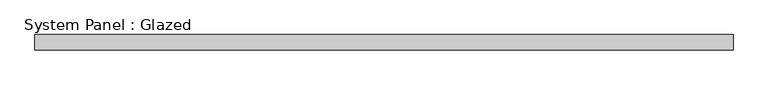
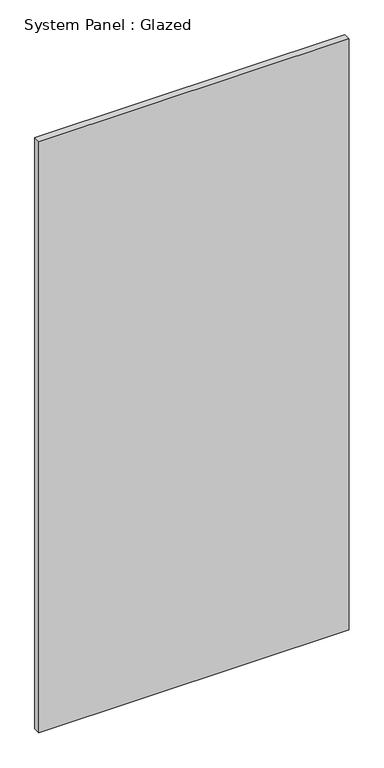
"""IFC4 building model written with IfcOpenShell, lengths in millimetres: plate geometry, System Panel : Glazed."""

from ifc_helpers import new_model, si_unit, origin, origin_with_axes, place, context, project, spatial, polyline, outline, extrude, source, transform, mapped, element, save


def system_panel_glazed_72f00336(model_context):
    return source(origin(), model_context, "Body", "SweptSolid", [
        extrude(outline(polyline([(577.0173234, 24.5), (-577.0173234, 24.5), (-577.0173234, 49.5), (577.0173234, 49.5), (577.0173234, 24.5)])), origin_with_axes(), (0.0, 0.0, 1.0), 2325.0),
    ])


if __name__ == "__main__":
    model = new_model("IFC4")
    model_context = context("Model", 3, world=origin())
    ifc_project = project(units=[si_unit("LENGTHUNIT", "METRE", prefix="MILLI")], contexts=[model_context])
    site = spatial("IfcSite", under=ifc_project)
    building = spatial("IfcBuilding", under=site)
    placement = place(None, origin())
    system_panel_glazed_shape = system_panel_glazed_72f00336(model_context)
    element("IfcPlate", 1, ObjectType="System Panel : Glazed", at=placement, inside=building, context=model_context, shape_type="MappedRepresentation", body=[
        mapped(system_panel_glazed_shape, transform((0.0, 0.0, 0.0), x_axis=(1.0, 0.0, 0.0), y_axis=(0.0, 1.0, 0.0), z_axis=(0.0, 0.0, 1.0))),
    ])
    save(model, "model.ifc")
